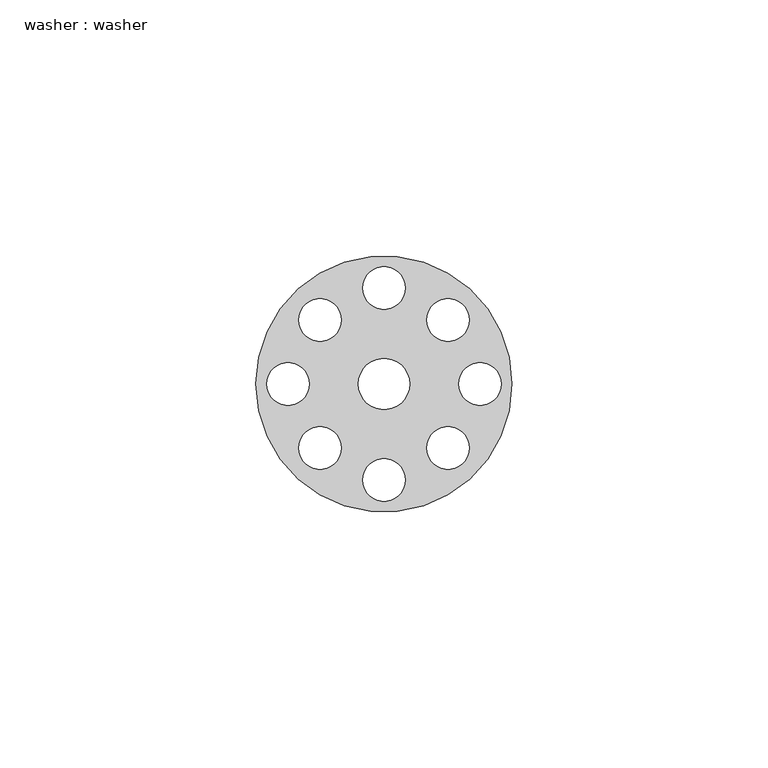
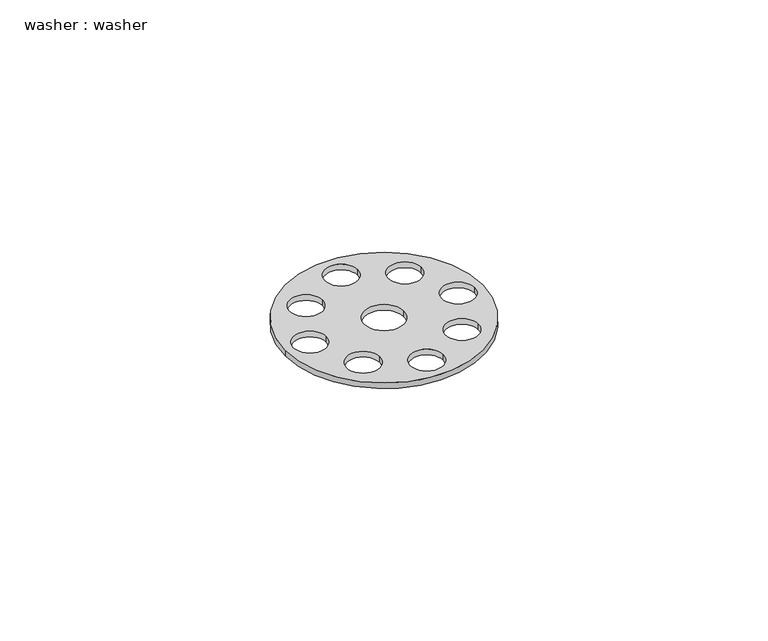
"""IFC4 building model written with IfcOpenShell, lengths in millimetres: proxy geometry, washer : washer."""

from ifc_helpers import new_model, si_unit, point, frame_2d, origin, origin_with_axes, origin_2d, place, context, project, spatial, circle_curve, trimmed, segment, composite_curve, outline, extrude, source, transform, mapped, element, save


def washer_washer_83021cab(model_context):
    return source(origin(), model_context, "Body", "SweptSolid", [
        extrude(outline(composite_curve([segment(trimmed(circle_curve(origin_2d(), 25.0), [point((-25.0, 0.0))], [point((25.0, 0.0))], False, "CARTESIAN"), True, "CONTINUOUS"), segment(trimmed(circle_curve(origin_2d(), 25.0), [point((25.0, 0.0))], [point((-25.0, 0.0))], False, "CARTESIAN"), True, "CONTINUOUS")], self_intersect=False), holes=[composite_curve([segment(trimmed(circle_curve(frame_2d((0.0, -18.75)), 4.1666667), [point((-4.1666667, -18.75))], [point((4.1666667, -18.75))], True, "CARTESIAN"), True, "CONTINUOUS"), segment(trimmed(circle_curve(frame_2d((0.0, -18.75)), 4.1666667), [point((4.1666667, -18.75))], [point((-4.1666667, -18.75))], True, "CARTESIAN"), True, "CONTINUOUS")], self_intersect=False), composite_curve([segment(trimmed(circle_curve(frame_2d((-12.5, -12.5)), 4.1666667), [point((-16.6666667, -12.5))], [point((-8.3333333, -12.5))], True, "CARTESIAN"), True, "CONTINUOUS"), segment(trimmed(circle_curve(frame_2d((-12.5, -12.5)), 4.1666667), [point((-8.3333333, -12.5))], [point((-16.6666667, -12.5))], True, "CARTESIAN"), True, "CONTINUOUS")], self_intersect=False), composite_curve([segment(trimmed(circle_curve(frame_2d((-18.75, 0.0)), 4.1666667), [point((-22.9166667, 0.0))], [point((-14.5833333, 0.0))], True, "CARTESIAN"), True, "CONTINUOUS"), segment(trimmed(circle_curve(frame_2d((-18.75, 0.0)), 4.1666667), [point((-14.5833333, 0.0))], [point((-22.9166667, 0.0))], True, "CARTESIAN"), True, "CONTINUOUS")], self_intersect=False), composite_curve([segment(trimmed(circle_curve(frame_2d((-12.5, 12.5)), 4.1666667), [point((-16.6666667, 12.5))], [point((-8.3333333, 12.5))], True, "CARTESIAN"), True, "CONTINUOUS"), segment(trimmed(circle_curve(frame_2d((-12.5, 12.5)), 4.1666667), [point((-8.3333333, 12.5))], [point((-16.6666667, 12.5))], True, "CARTESIAN"), True, "CONTINUOUS")], self_intersect=False), composite_curve([segment(trimmed(circle_curve(frame_2d((0.0, 18.75)), 4.1666667), [point((-4.1666667, 18.75))], [point((4.1666667, 18.75))], True, "CARTESIAN"), True, "CONTINUOUS"), segment(trimmed(circle_curve(frame_2d((0.0, 18.75)), 4.1666667), [point((4.1666667, 18.75))], [point((-4.1666667, 18.75))], True, "CARTESIAN"), True, "CONTINUOUS")], self_intersect=False), composite_curve([segment(trimmed(circle_curve(frame_2d((12.5, 12.5)), 4.1666667), [point((8.3333333, 12.5))], [point((16.6666667, 12.5))], True, "CARTESIAN"), True, "CONTINUOUS"), segment(trimmed(circle_curve(frame_2d((12.5, 12.5)), 4.1666667), [point((16.6666667, 12.5))], [point((8.3333333, 12.5))], True, "CARTESIAN"), True, "CONTINUOUS")], self_intersect=False), composite_curve([segment(trimmed(circle_curve(frame_2d((18.75, 0.0)), 4.1666667), [point((14.5833333, 0.0))], [point((22.9166667, 0.0))], True, "CARTESIAN"), True, "CONTINUOUS"), segment(trimmed(circle_curve(frame_2d((18.75, 0.0)), 4.1666667), [point((22.9166667, 0.0))], [point((14.5833333, 0.0))], True, "CARTESIAN"), True, "CONTINUOUS")], self_intersect=False), composite_curve([segment(trimmed(circle_curve(frame_2d((12.5, -12.5)), 4.1666667), [point((8.3333333, -12.5))], [point((16.6666667, -12.5))], True, "CARTESIAN"), True, "CONTINUOUS"), segment(trimmed(circle_curve(frame_2d((12.5, -12.5)), 4.1666667), [point((16.6666667, -12.5))], [point((8.3333333, -12.5))], True, "CARTESIAN"), True, "CONTINUOUS")], self_intersect=False), composite_curve([segment(trimmed(circle_curve(origin_2d(), 5.0), [point((-5.0, 0.0))], [point((5.0, 0.0))], True, "CARTESIAN"), True, "CONTINUOUS"), segment(trimmed(circle_curve(origin_2d(), 5.0), [point((5.0, 0.0))], [point((-5.0, 0.0))], True, "CARTESIAN"), True, "CONTINUOUS")], self_intersect=False)]), origin_with_axes(), (0.0, 0.0, 1.0), 1.5),
    ])


if __name__ == "__main__":
    model = new_model("IFC4")
    model_context = context("Model", 3, world=origin())
    ifc_project = project(units=[si_unit("LENGTHUNIT", "METRE", prefix="MILLI")], contexts=[model_context])
    site = spatial("IfcSite", under=ifc_project)
    building = spatial("IfcBuilding", under=site)
    placement = place(None, origin())
    washer_washer_shape = washer_washer_83021cab(model_context)
    element("IfcBuildingElementProxy", 1, Name="washer : washer", ObjectType="washer : washer", at=placement, inside=building, context=model_context, shape_type="MappedRepresentation", body=[
        mapped(washer_washer_shape, transform((0.0, 0.0, 0.0), x_axis=(1.0, 0.0, 0.0), y_axis=(0.0, 1.0, 0.0), z_axis=(0.0, 0.0, 1.0))),
    ])
    save(model, "model.ifc")
